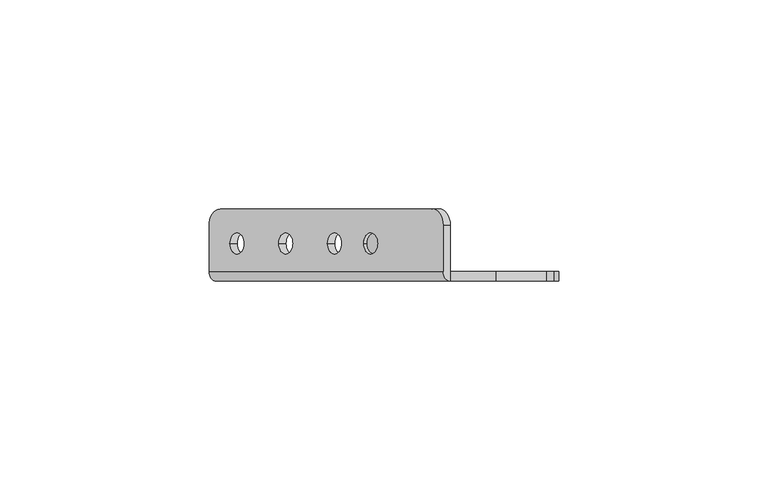
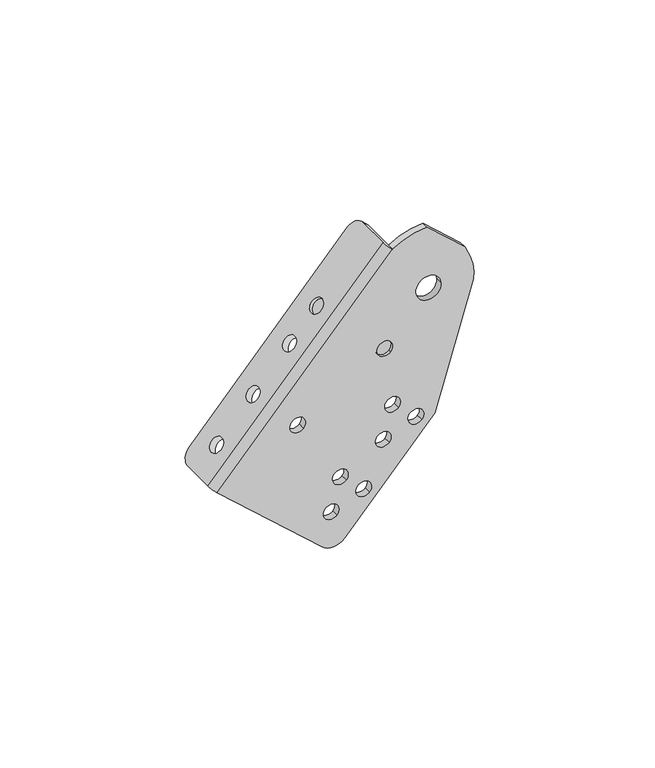
"""IFC4 building model written with IfcOpenShell, lengths in millimetres: proxy geometry."""

import ifcopenshell
import ifcopenshell.guid

model = None  # the IFC model being written
_history = None  # IfcOwnerHistory: only IFC2X3 demands one
_inside = {}  # id of a spatial element -> (the spatial element, [elements in it])
_under = {}  # id of a project, library or spatial element -> (it, [spatial elements below it])
_declared = {}  # id of a project -> (the project, [libraries it declares])
_typed = {}  # id of a type object -> (the type object, [elements of that type])
_made_of = {}  # id of a material, layer set ... -> (it, [elements and type objects made of it])


def new_model(schema):
    """Start an empty IFC model of exactly this schema.

    Asked for "IFC4X3", IfcOpenShell would pick the latest addendum, in which some entities
    have other attributes; the version numbers below select the first issue.
    IFC2X3 requires an IfcOwnerHistory on every rooted entity: one is made here for all.
    """
    global model, _history
    if schema == "IFC4X3":
        model = ifcopenshell.file(schema_version=(4, 3, 0, 0))
    else:
        model = ifcopenshell.file(schema=schema)
    _inside.clear()
    _under.clear()
    _declared.clear()
    _typed.clear()
    _made_of.clear()
    _history = None
    if model.schema == "IFC2X3":
        org = make("IfcOrganization", Name="unknown")
        user = make(
            "IfcPersonAndOrganization",
            ThePerson=make("IfcPerson", FamilyName="unknown"),
            TheOrganization=org,
        )
        app = make(
            "IfcApplication",
            ApplicationDeveloper=org,
            Version="unknown",
            ApplicationFullName="unknown",
            ApplicationIdentifier="unknown",
        )
        _history = make(
            "IfcOwnerHistory",
            OwningUser=user,
            OwningApplication=app,
            ChangeAction="ADDED",
            CreationDate=0,
        )
    return model


def make(cls, **values):
    """One entity of the class cls with the attributes given. An attribute that is None is left unset."""
    return model.create_entity(
        cls, **{name: value for name, value in values.items() if value is not None}
    )


def rooted(cls, **values):
    """An entity with a GlobalId (a new one), such as an element, a storey or a relation."""
    return make(cls, GlobalId=ifcopenshell.guid.new(), OwnerHistory=_history, **values)


def si_unit(unit_type, name, prefix=None):
    """IfcSIUnit, for example si_unit("LENGTHUNIT", "METRE", prefix="MILLI")."""
    return make("IfcSIUnit", UnitType=unit_type, Prefix=prefix, Name=name)


def assignment(units):
    """IfcUnitAssignment: the units of a project."""
    return None if units is None else make("IfcUnitAssignment", Units=units)


def point(xyz):
    """IfcCartesianPoint."""
    return None if xyz is None else make("IfcCartesianPoint", Coordinates=xyz)


def direction(xyz):
    """IfcDirection."""
    return None if xyz is None else make("IfcDirection", DirectionRatios=xyz)


def frame(location, z_axis=None, x_axis=None):
    """IfcAxis2Placement3D, a coordinate frame: its origin and axes. An axis left out is left unset."""
    return make(
        "IfcAxis2Placement3D",
        Location=point(location),
        Axis=direction(z_axis),
        RefDirection=direction(x_axis),
    )


def origin():
    """The frame at (0, 0, 0) with its axes left unset."""
    return frame((0.0, 0.0, 0.0))


def place(relative_to, where):
    """IfcLocalPlacement: puts the frame where relative to a parent placement (None: the world)."""
    return make(
        "IfcLocalPlacement", PlacementRelTo=relative_to, RelativePlacement=where
    )


def context(
    kind, dimensions, precision=None, world=None, true_north=None, identifier=None
):
    """IfcGeometricRepresentationContext, for example the 3D "Model" context."""
    return make(
        "IfcGeometricRepresentationContext",
        ContextIdentifier=identifier,
        ContextType=kind,
        CoordinateSpaceDimension=dimensions,
        Precision=precision,
        WorldCoordinateSystem=world,
        TrueNorth=true_north,
    )


def project(units=None, contexts=None):
    """IfcProject with its units and contexts."""
    return rooted(
        "IfcProject",
        Name="project",
        RepresentationContexts=contexts,
        UnitsInContext=assignment(units),
    )


def spatial(cls, under=None, at=None, **own):
    """A site, building, storey or space (cls), placed at a placement, below another one or the project."""
    s = rooted(cls, ObjectPlacement=at, **own)
    if under is not None:
        _under.setdefault(under.id(), (under, []))[1].append(s)
    return s


def polyline(points):
    """IfcPolyline through the points."""
    return make("IfcPolyline", Points=[point(p) for p in points])


def circle_curve(where, radius):
    """IfcCircle in the frame where."""
    return make("IfcCircle", Position=where, Radius=radius)


def shape(context_of_items, identifier, shape_type, items):
    """IfcShapeRepresentation: the items that make up one representation, for example the "Body"."""
    return make(
        "IfcShapeRepresentation",
        ContextOfItems=context_of_items,
        RepresentationIdentifier=identifier,
        RepresentationType=shape_type,
        Items=items,
    )


def source(mapping_origin, context_of_items, identifier, shape_type, items):
    """IfcRepresentationMap: a shape defined once, which mapped items show again and again."""
    return make(
        "IfcRepresentationMap",
        MappingOrigin=mapping_origin,
        MappedRepresentation=shape(context_of_items, identifier, shape_type, items),
    )


def transform(
    local_origin,
    x_axis=None,
    y_axis=None,
    z_axis=None,
    scale=None,
    scale2=None,
    scale3=None,
    uniform=True,
):
    """IfcCartesianTransformationOperator3D, or its non-uniform kind. x_axis, y_axis, z_axis: its Axis1, 2, 3."""
    if uniform:
        return make(
            "IfcCartesianTransformationOperator3D",
            Axis1=direction(x_axis),
            Axis2=direction(y_axis),
            LocalOrigin=point(local_origin),
            Scale=scale,
            Axis3=direction(z_axis),
        )
    return make(
        "IfcCartesianTransformationOperator3DnonUniform",
        Axis1=direction(x_axis),
        Axis2=direction(y_axis),
        LocalOrigin=point(local_origin),
        Scale=scale,
        Axis3=direction(z_axis),
        Scale2=scale2,
        Scale3=scale3,
    )


def mapped(mapping_source, mapping_target):
    """IfcMappedItem: shows the shape of a source again, moved by a transform."""
    return make(
        "IfcMappedItem", MappingSource=mapping_source, MappingTarget=mapping_target
    )


def made_of(thing, what):
    """Note that an element or type object is made of a material, layer set ...; save() writes the relation."""
    if what is not None:
        _made_of.setdefault(what.id(), (what, []))[1].append(thing)
    return thing


def element(
    cls,
    number,
    at=None,
    inside=None,
    cuts=None,
    type_object=None,
    material=None,
    context=None,
    identifier="Body",
    shape_type=None,
    held_by="IfcProductDefinitionShape",
    body=None,
    shapes=None,
    **own,
):
    """One element of the class cls, such as IfcWall. Its Tag is "e" and its number.

    at: its placement. inside: the storey or other place that contains it. cuts: it is an
    opening in that element (IfcRelVoidsElement). A single representation is given by context,
    identifier, shape_type and body (its items); several are given by shapes. held_by: the class
    of the entity that holds the representations. save() writes the other relations.
    """
    e = rooted(cls, Tag="e%d" % number, ObjectPlacement=at, **own)
    if body is not None:
        shapes = [shape(context, identifier, shape_type, body)]
    if shapes is not None:
        e.Representation = make(held_by, Representations=shapes)
    if inside is not None:
        _inside.setdefault(inside.id(), (inside, []))[1].append(e)
    if cuts is not None:
        rooted(
            "IfcRelVoidsElement", RelatingBuildingElement=cuts, RelatedOpeningElement=e
        )
    if type_object is not None:
        _typed.setdefault(type_object.id(), (type_object, []))[1].append(e)
    return made_of(e, material)


def aggregate(whole, parts):
    """IfcRelAggregates: a whole, such as a stair, and the parts it consists of."""
    return rooted("IfcRelAggregates", RelatingObject=whole, RelatedObjects=parts)


def save(model, path):
    """Write the relations noted so far, then the file.

    IfcRelAggregates (storeys below a building ...), IfcRelContainedInSpatialStructure (elements
    in a storey), IfcRelDefinesByType, IfcRelAssociatesMaterial and IfcRelDeclares: one each for
    every whole, place, type object, material and project.
    """
    for whole, parts in _under.values():
        aggregate(whole, parts)
    for where, things in _inside.values():
        rooted(
            "IfcRelContainedInSpatialStructure",
            RelatedElements=things,
            RelatingStructure=where,
        )
    for kind, things in _typed.values():
        rooted("IfcRelDefinesByType", RelatedObjects=things, RelatingType=kind)
    for what, things in _made_of.values():
        rooted("IfcRelAssociatesMaterial", RelatedObjects=things, RelatingMaterial=what)
    for by, libraries in _declared.values():
        rooted("IfcRelDeclares", RelatingContext=by, RelatedDefinitions=libraries)
    model.write(path)


def plane_surface(at):
    """IfcPlane: the flat surface through the origin of the frame at, square to its z axis."""
    return make("IfcPlane", Position=at)


def cylinder_surface(at, radius):
    """IfcCylindricalSurface: all points at the distance radius from the z axis of the frame at."""
    return make("IfcCylindricalSurface", Position=at, Radius=radius)


def revolved_surface(curve, axis_point, axis_direction):
    """IfcSurfaceOfRevolution: the curve turned about the line through axis_point along axis_direction."""
    return make(
        "IfcSurfaceOfRevolution",
        SweptCurve=make("IfcArbitraryOpenProfileDef", ProfileType="CURVE", Curve=curve),
        AxisPosition=make("IfcAxis1Placement", Location=point(axis_point), Axis=direction(axis_direction)),
    )


def advanced_brep(points, edges, surfaces, faces):
    """IfcAdvancedBrep: a solid bounded by faces that lie on surfaces and meet in shared edges.

    An edge is (start, end): straight between two places in points (the first is 0);
    or (start, end, curve); or (start, end, curve, False) where it runs against its curve.
    A face is (place in surfaces, loops), or (place, loops, False) where it looks against
    its surface's normal. A loop lists edges by number (the first is 1), with a minus sign
    where the edge is run from its end to its start. The first loop is the outer one.
    """
    corners = [point(p) for p in points]
    vertices = [make("IfcVertexPoint", VertexGeometry=c) for c in corners]
    made = []
    for start, end, *more in edges:
        made.append(
            make(
                "IfcEdgeCurve",
                EdgeStart=vertices[start],
                EdgeEnd=vertices[end],
                EdgeGeometry=more[0] if more else make("IfcPolyline", Points=[corners[start], corners[end]]),
                SameSense=more[1] if len(more) > 1 else True,
            )
        )
    hull = []
    for where, loops, *sense in faces:
        bounds = []
        for j, loop in enumerate(loops):
            ring = [make("IfcOrientedEdge", EdgeElement=made[abs(k) - 1], Orientation=k > 0) for k in loop]
            bounds.append(
                make(
                    "IfcFaceOuterBound" if j == 0 else "IfcFaceBound",
                    Bound=make("IfcEdgeLoop", EdgeList=ring),
                    Orientation=True,
                )
            )
        hull.append(make("IfcAdvancedFace", Bounds=bounds, FaceSurface=surfaces[where], SameSense=sense[0] if sense else True))
    return make("IfcAdvancedBrep", Outer=make("IfcClosedShell", CfsFaces=hull))


def mechanical_equipment_ff4c4f84(model_context):
    return source(origin(), model_context, "Body", "AdvancedBrep", [
        advanced_brep(
        [(-35.8515911, 12.2834534, -3.9202854), (-38.4954222, 16.2499985, -6.8772495), (-89.1643811, 16.2499985, -63.5473961), (-91.8301799, 12.196215, -66.5289299), (-91.8301799, 1.2499985, -66.5289299), (-35.8414524, 1.2499985, -3.9089459), (-86.8311864, 7.953236, -60.9378599), (-83.4985241, 7.953236, -57.2104799), (-75.1668682, 7.953236, -47.8920299), (-71.8342058, 7.953236, -44.1646499), (-63.50255, 7.953236, -34.8461999), (-60.1698876, 7.953236, -31.1188199), (-54.8376278, 7.9499985, -25.1550119), (-51.5049655, 7.9499985, -21.4276319), (-90.1155851, 12.196215, -68.0619546), (-87.4497863, 16.1957184, -65.0804208), (-36.7808274, 16.2499985, -8.4102742), (-34.1369963, 12.2834534, -5.45331), (-34.1268576, 1.2499985, -5.4419706), (-90.1155851, 1.2499985, -68.0619546), (-85.1165916, 7.953236, -62.4708846), (-81.7839293, 7.953236, -58.7435046), (-73.4522734, 7.953236, -49.4250546), (-70.119611, 7.953236, -45.6976746), (-61.7879552, 7.953236, -36.3792246), (-58.4552928, 7.953236, -32.6518446), (-49.7903707, 7.9499985, -22.9606566), (-53.123033, 7.9499985, -26.6880366), (-34.1268576, -1.0500015, -5.4419706), (-56.5691652, 1.2499985, -98.0559157), (-56.5691652, -1.0500015, -98.0559157), (-90.1155851, -1.0500015, -68.0619546), (-54.0921518, 7.9499985, -25.8215444), (-50.7594895, 7.9499985, -22.0941644), (-49.5091228, -1.0500015, -97.6611981), (-20.5710356, -1.0500015, -65.2957089), (-8.261137, -1.0500015, -24.5233576), (-9.2839625, -1.0500015, -16.7329221), (-11.0163903, -1.0500015, -12.6908651), (-23.0690122, -1.0500015, -1.9145774), (-18.6176618, -1.0500015, -22.2217938), (-26.6051879, -1.0500015, -22.6683658), (-66.2562971, -1.0500015, -52.5054379), (-62.5289171, -1.0500015, -55.8381003), (-35.9550789, -1.0500015, -56.1229197), (-32.2276989, -1.0500015, -59.455582), (-28.5003189, -1.0500015, -62.7882444), (-24.7729389, -1.0500015, -66.1209067), (-38.8930236, -1.0500015, -66.910342), (-35.1656436, -1.0500015, -70.2430044), (-52.6183906, -1.0500015, -74.7598197), (-48.8910106, -1.0500015, -78.092482), (-45.1636306, -1.0500015, -81.4251444), (-41.4362506, -1.0500015, -84.7578067), (-55.5563353, -1.0500015, -85.547242), (-51.8289553, -1.0500015, -88.8799044), (-38.4722968, -1.0500015, -36.4337446), (-34.7449168, -1.0500015, -39.766407), (-23.0690122, 1.2499985, -1.9145774), (-11.0163903, 1.2499985, -12.6908651), (-9.2839625, 1.2499985, -16.7329221), (-8.261137, 1.2499985, -24.5233576), (-20.5710356, 1.2499985, -65.2957089), (-49.5091228, 1.2499985, -97.6611981), (-18.6176618, 1.2499985, -22.2217938), (-26.6051879, 1.2499985, -22.6683658), (-66.2562971, 1.2499985, -52.5054379), (-62.5289171, 1.2499985, -55.8381003), (-35.9550789, 1.2499985, -56.1229197), (-32.2276989, 1.2499985, -59.455582), (-28.5003189, 1.2499985, -62.7882444), (-24.7729389, 1.2499985, -66.1209067), (-38.8930236, 1.2499985, -66.910342), (-35.1656436, 1.2499985, -70.2430044), (-52.6183906, 1.2499985, -74.7598197), (-48.8910106, 1.2499985, -78.092482), (-45.1636306, 1.2499985, -81.4251444), (-41.4362506, 1.2499985, -84.7578067), (-55.5563353, 1.2499985, -85.547242), (-51.8289553, 1.2499985, -88.8799044), (-34.1125048, 1.2499985, -37.9605221), (-38.4722968, 1.2499985, -36.4337446), (-39.1047087, 1.2499985, -38.2396296), (-34.7449168, 1.2499985, -39.766407), (-34.1125048, -0.0500015, -37.9605221), (-38.4722968, -0.0500015, -36.4337446), (-39.1047087, -0.0500015, -38.2396296), (-34.7449168, -0.0500015, -39.766407), (-34.1125048, 2.2499985, -37.9605221), (-39.1047087, 2.2499985, -38.2396296), (-52.377557, 7.9499985, -27.3545691), (-49.0448947, 7.9499985, -23.6271891)],
        [
            (0, 1, circle_curve(frame((-38.4954222, 12.2834534, -6.8772495), z_axis=(-0.745475999682861, 0.0, 0.6665324702494538), x_axis=(-0.6665324702494537, 0.0, -0.7454759996828609)), 3.9665451)),
            (1, 2),
            (2, 3, circle_curve(frame((-89.1643811, 12.196215, -63.5473961), z_axis=(-0.745475999682861, 0.0, 0.6665324702494538), x_axis=(-0.6665324702494537, 0.0, -0.7454759996828609)), 3.9995034)),
            (3, 4),
            (4, 5),
            (5, 0),
            (6, 7, circle_curve(frame((-85.1648552, 7.953236, -59.0741699), z_axis=(0.7454759996828609, 0.0, -0.6665324702494538), x_axis=(0.6665324702494538, 0.0, 0.7454759996828609)), 2.5)),
            (7, 6, circle_curve(frame((-85.1648552, 7.953236, -59.0741699), z_axis=(0.7454759996828609, 0.0, -0.6665324702494538), x_axis=(0.6665324702494538, 0.0, 0.7454759996828609)), 2.5)),
            (8, 9, circle_curve(frame((-73.500537, 7.953236, -46.0283399), z_axis=(0.7454759996828609, 0.0, -0.6665324702494538), x_axis=(0.6665324702494538, 0.0, 0.7454759996828609)), 2.5)),
            (9, 8, circle_curve(frame((-73.500537, 7.953236, -46.0283399), z_axis=(0.7454759996828609, 0.0, -0.6665324702494538), x_axis=(0.6665324702494538, 0.0, 0.7454759996828609)), 2.5)),
            (10, 11, circle_curve(frame((-61.8362188, 7.953236, -32.9825099), z_axis=(0.7454759996828609, 0.0, -0.6665324702494538), x_axis=(0.6665324702494538, 0.0, 0.7454759996828609)), 2.5)),
            (11, 10, circle_curve(frame((-61.8362188, 7.953236, -32.9825099), z_axis=(0.7454759996828609, 0.0, -0.6665324702494538), x_axis=(0.6665324702494538, 0.0, 0.7454759996828609)), 2.5)),
            (12, 13, circle_curve(frame((-53.1712967, 7.9499985, -23.2913219), z_axis=(0.7454759996828609, 0.0, -0.6665324702494538), x_axis=(0.6665324702494538, 0.0, 0.7454759996828609)), 2.5)),
            (13, 12, circle_curve(frame((-53.1712967, 7.9499985, -23.2913219), z_axis=(0.7454759996828609, 0.0, -0.6665324702494538), x_axis=(0.6665324702494538, 0.0, 0.7454759996828609)), 2.5)),
            (14, 15, circle_curve(frame((-87.4497863, 12.196215, -65.0804208), z_axis=(0.745475999682861, 0.0, -0.6665324702494538), x_axis=(-0.6665324702494537, 0.0, -0.7454759996828609)), 3.9995034)),
            (15, 16),
            (16, 17, circle_curve(frame((-36.7808274, 12.2834534, -8.4102742), z_axis=(0.745475999682861, 0.0, -0.6665324702494538), x_axis=(-0.6665324702494537, 0.0, -0.7454759996828609)), 3.9665451)),
            (17, 18),
            (18, 19),
            (19, 14),
            (20, 21, circle_curve(frame((-83.4502604, 7.953236, -60.6071946), z_axis=(-0.7454759996828609, 0.0, 0.6665324702494538), x_axis=(0.6665324702494538, 0.0, 0.7454759996828609)), 2.5)),
            (21, 20, circle_curve(frame((-83.4502604, 7.953236, -60.6071946), z_axis=(-0.7454759996828609, 0.0, 0.6665324702494538), x_axis=(0.6665324702494538, 0.0, 0.7454759996828609)), 2.5)),
            (22, 23, circle_curve(frame((-71.7859422, 7.953236, -47.5613646), z_axis=(-0.7454759996828609, 0.0, 0.6665324702494538), x_axis=(0.6665324702494538, 0.0, 0.7454759996828609)), 2.5)),
            (23, 22, circle_curve(frame((-71.7859422, 7.953236, -47.5613646), z_axis=(-0.7454759996828609, 0.0, 0.6665324702494538), x_axis=(0.6665324702494538, 0.0, 0.7454759996828609)), 2.5)),
            (24, 25, circle_curve(frame((-60.121624, 7.953236, -34.5155346), z_axis=(-0.7454759996828609, 0.0, 0.6665324702494538), x_axis=(0.6665324702494538, 0.0, 0.7454759996828609)), 2.5)),
            (25, 24, circle_curve(frame((-60.121624, 7.953236, -34.5155346), z_axis=(-0.7454759996828609, 0.0, 0.6665324702494538), x_axis=(0.6665324702494538, 0.0, 0.7454759996828609)), 2.5)),
            (26, 27, circle_curve(frame((-51.4567019, 7.9499985, -24.8243466), z_axis=(-0.7454759996828616, 0.0, 0.6665324702494531), x_axis=(0.6665324702494531, 0.0, 0.7454759996828616)), 2.5)),
            (27, 26, circle_curve(frame((-51.4567019, 7.9499985, -24.8243466), z_axis=(-0.7454759996828616, 0.0, 0.6665324702494531), x_axis=(0.6665324702494531, 0.0, 0.7454759996828616)), 2.5)),
            (17, 0),
            (5, 28, circle_curve(frame((-34.1268576, 1.2499985, -5.4419706), z_axis=(0.6665324702494537, 0.0, 0.745475999682861), x_axis=(0.0, -1.0, 0.0)), 2.3)),
            (28, 18),
            (16, 1),
            (15, 2),
            (14, 3),
            (19, 29),
            (29, 30),
            (30, 31),
            (31, 4, circle_curve(frame((-90.1155851, 1.2499985, -68.0619546), z_axis=(-0.6665324702494537, 0.0, -0.745475999682861), x_axis=(0.0, -1.0, 0.0)), 2.3)),
            (6, 20),
            (21, 7),
            (8, 22),
            (23, 9),
            (10, 24),
            (25, 11),
            (12, 32),
            (32, 33, circle_curve(frame((-52.4258207, 7.9499985, -23.9578544), z_axis=(0.7454759996828609, 0.0, -0.6665324702494538), x_axis=(0.6665324702494538, 0.0, 0.7454759996828609)), 2.5)),
            (33, 13),
            (33, 32, circle_curve(frame((-52.4258207, 7.9499985, -23.9578544), z_axis=(0.7454759996828609, 0.0, -0.6665324702494538), x_axis=(0.6665324702494538, 0.0, 0.7454759996828609)), 2.5)),
            (30, 34, circle_curve(frame((-53.2365028, -1.0500015, -94.3285357), z_axis=(0.0, -1.0, 0.0), x_axis=(0.9984407641819812, 0.0, 0.0558215049931608)), 5.0)),
            (34, 35),
            (35, 36),
            (36, 37, circle_curve(frame((-22.6114249, -1.0500015, -22.4450798), z_axis=(0.0, -1.0, 0.0), x_axis=(0.9984407641819812, 0.0, 0.0558215049931608)), 14.5)),
            (37, 38),
            (38, 39),
            (39, 28, circle_curve(frame((-22.6114249, -1.0500015, -22.4450798), z_axis=(0.0, -1.0, 0.0), x_axis=(0.9984407641819812, 0.0, 0.0558215049931608)), 20.5356012)),
            (28, 31),
            (40, 41, circle_curve(frame((-22.6114249, -1.0500015, -22.4450798), z_axis=(0.0, 1.0, 0.0), x_axis=(0.9984407641819812, 0.0, 0.0558215049931608)), 4.0)),
            (41, 40, circle_curve(frame((-22.6114249, -1.0500015, -22.4450798), z_axis=(0.0, 1.0, 0.0), x_axis=(0.9984407641819812, 0.0, 0.0558215049931608)), 4.0)),
            (42, 43, circle_curve(frame((-64.3926071, -1.0500015, -54.1717691), z_axis=(0.0, 1.0, 0.0), x_axis=(0.7454759996828616, 0.0, -0.6665324702494531)), 2.5)),
            (43, 42, circle_curve(frame((-64.3926071, -1.0500015, -54.1717691), z_axis=(0.0, 1.0, 0.0), x_axis=(0.7454759996828616, 0.0, -0.6665324702494531)), 2.5)),
            (44, 45, circle_curve(frame((-34.0913889, -1.0500015, -57.7892509), z_axis=(0.0, 1.0, 0.0), x_axis=(0.7454759996828616, 0.0, -0.6665324702494531)), 2.5)),
            (45, 44, circle_curve(frame((-34.0913889, -1.0500015, -57.7892509), z_axis=(0.0, 1.0, 0.0), x_axis=(0.7454759996828616, 0.0, -0.6665324702494531)), 2.5)),
            (46, 47, circle_curve(frame((-26.6366289, -1.0500015, -64.4545756), z_axis=(0.0, 1.0, 0.0), x_axis=(0.7454759996828616, 0.0, -0.6665324702494531)), 2.5)),
            (47, 46, circle_curve(frame((-26.6366289, -1.0500015, -64.4545756), z_axis=(0.0, 1.0, 0.0), x_axis=(0.7454759996828616, 0.0, -0.6665324702494531)), 2.5)),
            (48, 49, circle_curve(frame((-37.0293336, -1.0500015, -68.5766732), z_axis=(0.0, 1.0, 0.0), x_axis=(0.7454759996828616, 0.0, -0.6665324702494531)), 2.5)),
            (49, 48, circle_curve(frame((-37.0293336, -1.0500015, -68.5766732), z_axis=(0.0, 1.0, 0.0), x_axis=(0.7454759996828616, 0.0, -0.6665324702494531)), 2.5)),
            (50, 51, circle_curve(frame((-50.7547006, -1.0500015, -76.4261509), z_axis=(0.0, 1.0, 0.0), x_axis=(0.7454759996828616, 0.0, -0.6665324702494531)), 2.5)),
            (51, 50, circle_curve(frame((-50.7547006, -1.0500015, -76.4261509), z_axis=(0.0, 1.0, 0.0), x_axis=(0.7454759996828616, 0.0, -0.6665324702494531)), 2.5)),
            (52, 53, circle_curve(frame((-43.2999406, -1.0500015, -83.0914756), z_axis=(0.0, 1.0, 0.0), x_axis=(0.7454759996828616, 0.0, -0.6665324702494531)), 2.5)),
            (53, 52, circle_curve(frame((-43.2999406, -1.0500015, -83.0914756), z_axis=(0.0, 1.0, 0.0), x_axis=(0.7454759996828616, 0.0, -0.6665324702494531)), 2.5)),
            (54, 55, circle_curve(frame((-53.6926453, -1.0500015, -87.2135732), z_axis=(0.0, 1.0, 0.0), x_axis=(0.7454759996828616, 0.0, -0.6665324702494531)), 2.5)),
            (55, 54, circle_curve(frame((-53.6926453, -1.0500015, -87.2135732), z_axis=(0.0, 1.0, 0.0), x_axis=(0.7454759996828616, 0.0, -0.6665324702494531)), 2.5)),
            (56, 57, circle_curve(frame((-36.6086068, -1.0500015, -38.1000758), z_axis=(0.0, 1.0, 0.0), x_axis=(0.7454759996828616, 0.0, -0.6665324702494531)), 2.5)),
            (57, 56, circle_curve(frame((-36.6086068, -1.0500015, -38.1000758), z_axis=(0.0, 1.0, 0.0), x_axis=(0.7454759996828616, 0.0, -0.6665324702494531)), 2.5)),
            (18, 58, circle_curve(frame((-22.6114249, 1.2499985, -22.4450798), z_axis=(0.0, 1.0, 0.0), x_axis=(0.9984407641819812, 0.0, 0.0558215049931608)), 20.5356012)),
            (58, 59),
            (59, 60),
            (60, 61, circle_curve(frame((-22.6114249, 1.2499985, -22.4450798), z_axis=(0.0, 1.0, 0.0), x_axis=(0.9984407641819812, 0.0, 0.0558215049931608)), 14.5)),
            (61, 62),
            (62, 63),
            (63, 29, circle_curve(frame((-53.2365028, 1.2499985, -94.3285357), z_axis=(0.0, 1.0, 0.0), x_axis=(0.9984407641819812, 0.0, 0.0558215049931608)), 5.0)),
            (64, 65, circle_curve(frame((-22.6114249, 1.2499985, -22.4450798), z_axis=(0.0, -1.0, 0.0), x_axis=(0.9984407641819812, 0.0, 0.0558215049931608)), 4.0)),
            (65, 64, circle_curve(frame((-22.6114249, 1.2499985, -22.4450798), z_axis=(0.0, -1.0, 0.0), x_axis=(0.9984407641819812, 0.0, 0.0558215049931608)), 4.0)),
            (66, 67, circle_curve(frame((-64.3926071, 1.2499985, -54.1717691), z_axis=(0.0, -1.0, 0.0), x_axis=(0.7454759996828616, 0.0, -0.6665324702494531)), 2.5)),
            (67, 66, circle_curve(frame((-64.3926071, 1.2499985, -54.1717691), z_axis=(0.0, -1.0, 0.0), x_axis=(0.7454759996828616, 0.0, -0.6665324702494531)), 2.5)),
            (68, 69, circle_curve(frame((-34.0913889, 1.2499985, -57.7892509), z_axis=(0.0, -1.0, 0.0), x_axis=(0.7454759996828616, 0.0, -0.6665324702494531)), 2.5)),
            (69, 68, circle_curve(frame((-34.0913889, 1.2499985, -57.7892509), z_axis=(0.0, -1.0, 0.0), x_axis=(0.7454759996828616, 0.0, -0.6665324702494531)), 2.5)),
            (70, 71, circle_curve(frame((-26.6366289, 1.2499985, -64.4545756), z_axis=(0.0, -1.0, 0.0), x_axis=(0.7454759996828616, 0.0, -0.6665324702494531)), 2.5)),
            (71, 70, circle_curve(frame((-26.6366289, 1.2499985, -64.4545756), z_axis=(0.0, -1.0, 0.0), x_axis=(0.7454759996828616, 0.0, -0.6665324702494531)), 2.5)),
            (72, 73, circle_curve(frame((-37.0293336, 1.2499985, -68.5766732), z_axis=(0.0, -1.0, 0.0), x_axis=(0.7454759996828616, 0.0, -0.6665324702494531)), 2.5)),
            (73, 72, circle_curve(frame((-37.0293336, 1.2499985, -68.5766732), z_axis=(0.0, -1.0, 0.0), x_axis=(0.7454759996828616, 0.0, -0.6665324702494531)), 2.5)),
            (74, 75, circle_curve(frame((-50.7547006, 1.2499985, -76.4261509), z_axis=(0.0, -1.0, 0.0), x_axis=(0.7454759996828616, 0.0, -0.6665324702494531)), 2.5)),
            (75, 74, circle_curve(frame((-50.7547006, 1.2499985, -76.4261509), z_axis=(0.0, -1.0, 0.0), x_axis=(0.7454759996828616, 0.0, -0.6665324702494531)), 2.5)),
            (76, 77, circle_curve(frame((-43.2999406, 1.2499985, -83.0914756), z_axis=(0.0, -1.0, 0.0), x_axis=(0.7454759996828616, 0.0, -0.6665324702494531)), 2.5)),
            (77, 76, circle_curve(frame((-43.2999406, 1.2499985, -83.0914756), z_axis=(0.0, -1.0, 0.0), x_axis=(0.7454759996828616, 0.0, -0.6665324702494531)), 2.5)),
            (78, 79, circle_curve(frame((-53.6926453, 1.2499985, -87.2135732), z_axis=(0.0, -1.0, 0.0), x_axis=(0.7454759996828616, 0.0, -0.6665324702494531)), 2.5)),
            (79, 78, circle_curve(frame((-53.6926453, 1.2499985, -87.2135732), z_axis=(0.0, -1.0, 0.0), x_axis=(0.7454759996828616, 0.0, -0.6665324702494531)), 2.5)),
            (80, 81, circle_curve(frame((-36.6086068, 1.2499985, -38.1000758), z_axis=(0.0, -1.0, 0.0), x_axis=(0.9984407641819812, 0.0, 0.0558215049931608)), 2.5)),
            (81, 82, circle_curve(frame((-36.6086068, 1.2499985, -38.1000758), z_axis=(0.0, -1.0, 0.0), x_axis=(0.9984407641819812, 0.0, 0.0558215049931608)), 2.5)),
            (82, 83, circle_curve(frame((-36.6086068, 1.2499985, -38.1000758), z_axis=(0.0, -1.0, 0.0), x_axis=(0.9984407641819812, 0.0, 0.0558215049931608)), 2.5)),
            (83, 80, circle_curve(frame((-36.6086068, 1.2499985, -38.1000758), z_axis=(0.0, -1.0, 0.0), x_axis=(0.9984407641819812, 0.0, 0.0558215049931608)), 2.5)),
            (63, 34),
            (62, 35),
            (61, 36),
            (60, 37),
            (59, 38),
            (58, 39),
            (40, 64),
            (65, 41),
            (84, 85, circle_curve(frame((-36.6086068, -0.0500015, -38.1000758), z_axis=(0.0, -1.0, 0.0), x_axis=(0.7454759996828616, 0.0, -0.6665324702494531)), 2.5)),
            (85, 86, circle_curve(frame((-36.6086068, -0.0500015, -38.1000758), z_axis=(0.0, -1.0, 0.0), x_axis=(0.7454759996828616, 0.0, -0.6665324702494531)), 2.5)),
            (86, 87, circle_curve(frame((-36.6086068, -0.0500015, -38.1000758), z_axis=(0.0, -1.0, 0.0), x_axis=(0.7454759996828616, 0.0, -0.6665324702494531)), 2.5)),
            (87, 84, circle_curve(frame((-36.6086068, -0.0500015, -38.1000758), z_axis=(0.0, -1.0, 0.0), x_axis=(0.7454759996828616, 0.0, -0.6665324702494531)), 2.5)),
            (88, 89, circle_curve(frame((-36.6086068, 2.2499985, -38.1000758), z_axis=(0.0, 1.0, 0.0), x_axis=(0.9984407641819812, 0.0, 0.0558215049931608)), 2.5)),
            (89, 88, circle_curve(frame((-36.6086068, 2.2499985, -38.1000758), z_axis=(0.0, 1.0, 0.0), x_axis=(0.9984407641819812, 0.0, 0.0558215049931608)), 2.5)),
            (89, 82),
            (80, 88),
            (90, 91, circle_curve(frame((-50.7112259, 7.9499985, -25.4908791), z_axis=(0.7454759996828616, 0.0, -0.6665324702494531), x_axis=(0.6665324702494531, 0.0, 0.7454759996828616)), 2.5)),
            (91, 90, circle_curve(frame((-50.7112259, 7.9499985, -25.4908791), z_axis=(0.7454759996828616, 0.0, -0.6665324702494531), x_axis=(0.6665324702494531, 0.0, 0.7454759996828616)), 2.5)),
            (90, 27),
            (26, 91),
            (42, 66),
            (67, 43),
            (44, 68),
            (69, 45),
            (46, 70),
            (71, 47),
            (48, 72),
            (73, 49),
            (50, 74),
            (75, 51),
            (52, 76),
            (77, 53),
            (54, 78),
            (79, 55),
            (56, 85),
            (87, 57),
        ],
        [
            plane_surface(frame((-35.8414524, -1.0593878, -3.9089459), z_axis=(-0.7454759996828609, 0.0, 0.6665324702494538), x_axis=(0.0, 1.0, 0.0))),
            plane_surface(frame((-34.1268576, -1.0593878, -5.4419706), z_axis=(0.7454759996828609, 0.0, -0.6665324702494538), x_axis=(0.0, -1.0, 0.0))),
            plane_surface(frame((-35.8414524, -1.0500015, -3.9089459), z_axis=(0.6665324702494538, 0.0, 0.745475999682861), x_axis=(0.745475999682861, 0.0, -0.6665324702494538))),
            cylinder_surface(frame((-36.7808274, 12.2834534, -8.4102742), z_axis=(-0.7454759996828609, 0.0, 0.6665324702494537), x_axis=(-0.6665324702494537, 0.0, -0.7454759996828609)), 3.9665451),
            plane_surface(frame((-38.4954222, 16.2499985, -6.8772495), z_axis=(0.0, 1.0, 0.0), x_axis=(0.745475999682861, 0.0, -0.6665324702494538))),
            cylinder_surface(frame((-87.4497863, 12.196215, -65.0804208), z_axis=(-0.7454759996828609, 0.0, 0.6665324702494537), x_axis=(-0.6665324702494537, 0.0, -0.7454759996828609)), 3.9995034),
            plane_surface(frame((-91.8301799, 12.196215, -66.5289299), z_axis=(-0.6665324702494531, 0.0, -0.7454759996828616), x_axis=(0.7454759996828616, 0.0, -0.6665324702494531))),
            revolved_surface(polyline([(-81.78392922437637, 7.953236, -58.743504600792846), (-83.49852407562862, 7.953236, -57.21047987274211)]), (-83.4502604, 7.953236, -60.6071946), (0.7454759996828609, 0.0, -0.6665324702494538)),
            revolved_surface(polyline([(-70.11961101122353, 7.953236, -45.69767461255283), (-71.83420584636085, 7.953236, -44.16464989891052)]), (-71.7859422, 7.953236, -47.5613646), (0.7454759996828609, 0.0, -0.6665324702494538)),
            revolved_surface(polyline([(-58.455292811223536, 7.953236, -32.651844612552836), (-60.169887646360856, 7.953236, -31.118819898910527)]), (-60.121624, 7.953236, -34.5155346), (0.7454759996828609, 0.0, -0.6665324702494538)),
            revolved_surface(polyline([(-50.75948947614573, 7.9499985, -22.094164432223096), (-51.50496553320802, 7.9499985, -21.427631910670513)]), (-51.4567019, 7.9499985, -24.8243466), (0.7454759996828609, 0.0, -0.6665324702494538)),
            plane_surface(frame((-90.1155851, -1.0500015, -68.0619546), z_axis=(0.0, -1.0, 0.0), x_axis=(-0.6665324702494538, 0.0, -0.7454759996828609))),
            plane_surface(frame((-90.1155851, 1.2499985, -68.0619546), z_axis=(0.0, 1.0, 0.0), x_axis=(0.6665324702494538, 0.0, 0.7454759996828609))),
            cylinder_surface(frame((-53.2365028, 1.2499985, -94.3285357), z_axis=(0.0, -1.0, 0.0), x_axis=(0.9984407641819812, 0.0, 0.0558215049931608)), 5.0),
            plane_surface(frame((-49.5091228, -1.0500015, -97.6611981), z_axis=(0.7454759996828573, 0.0, -0.666532470249458), x_axis=(0.0, 1.0, 0.0))),
            plane_surface(frame((-20.5710356, -1.0500015, -65.2957089), z_axis=(0.9573194975320674, 0.0, -0.2890317969444712), x_axis=(0.0, 1.0, 0.0))),
            cylinder_surface(frame((-22.6114249, 1.2499985, -22.4450798), z_axis=(0.0, -1.0, 0.0), x_axis=(0.9984407641819812, 0.0, 0.0558215049931608)), 14.5),
            plane_surface(frame((-9.2839625, -1.0500015, -16.7329221), z_axis=(0.9191353392552666, 0.0, 0.3939419095908762), x_axis=(0.0, 1.0, 0.0))),
            plane_surface(frame((-11.0163903, -1.0500015, -12.6908651), z_axis=(0.6665324702494511, 0.0, 0.7454759996828636), x_axis=(0.0, 1.0, 0.0))),
            cylinder_surface(frame((-22.6114249, 1.2499985, -22.4450798), z_axis=(0.0, -1.0, 0.0), x_axis=(0.9984407641819812, 0.0, 0.0558215049931608)), 20.5356012),
            revolved_surface(polyline([(-18.617661843272074, 1.2499985, -22.221793780027355), (-18.617661843272074, -1.0500014999999998, -22.221793780027355)]), (-22.6114249, 1.2499985, -22.4450798), (0.0, 1.0, 0.0)),
            plane_surface(frame((-34.1125048, -0.0500015, -37.9605221), z_axis=(0.0, -1.0, 0.0), x_axis=(-0.0558215049931608, 0.0, 0.9984407641819812))),
            plane_surface(frame((-34.1125048, 2.2499985, -37.9605221), z_axis=(0.0, 1.0, 0.0), x_axis=(0.0558215049931608, 0.0, -0.9984407641819812))),
            cylinder_surface(frame((-36.6086068, 2.2499985, -38.1000758), z_axis=(0.0, -1.0, 0.0), x_axis=(0.9984407641819812, 0.0, 0.0558215049931608)), 2.5),
            plane_surface(frame((-49.0448947, 7.9499985, -23.6271891), z_axis=(0.7454759996828616, 0.0, -0.6665324702494531), x_axis=(0.0, -1.0, 0.0))),
            plane_surface(frame((-50.7594895, 7.9499985, -22.0941644), z_axis=(-0.7454759996828616, 0.0, 0.6665324702494531), x_axis=(0.0, 1.0, 0.0))),
            cylinder_surface(frame((-52.4258207, 7.9499985, -23.9578544), z_axis=(0.7454759996828616, 0.0, -0.6665324702494531), x_axis=(0.6665324702494531, 0.0, 0.7454759996828616)), 2.5),
            cylinder_surface(frame((-90.1155851, 1.2499985, -68.0619546), z_axis=(0.6665324702494537, 0.0, 0.745475999682861), x_axis=(0.0, -1.0, 0.0)), 2.3),
            revolved_surface(polyline([(-62.52891710079285, 1.2499985, -55.83810027562363), (-62.52891710079285, -1.0500014999999998, -55.83810027562363)]), (-64.3926071, 1.2499985, -54.1717691), (0.0, 1.0, 0.0)),
            revolved_surface(polyline([(-32.227698900792845, 1.2499985, -59.45558207562363), (-32.227698900792845, -1.0500014999999998, -59.45558207562363)]), (-34.0913889, 1.2499985, -57.7892509), (0.0, 1.0, 0.0)),
            revolved_surface(polyline([(-24.772938900792848, 1.2499985, -66.12090677562364), (-24.772938900792848, -1.0500014999999998, -66.12090677562364)]), (-26.6366289, 1.2499985, -64.4545756), (0.0, 1.0, 0.0)),
            revolved_surface(polyline([(-35.16564360079285, 1.2499985, -70.24300437562363), (-35.16564360079285, -1.0500014999999998, -70.24300437562363)]), (-37.0293336, 1.2499985, -68.5766732), (0.0, 1.0, 0.0)),
            revolved_surface(polyline([(-48.891010600792846, 1.2499985, -78.09248207562362), (-48.891010600792846, -1.0500014999999998, -78.09248207562362)]), (-50.7547006, 1.2499985, -76.4261509), (0.0, 1.0, 0.0)),
            revolved_surface(polyline([(-41.436250600792846, 1.2499985, -84.75780677562364), (-41.436250600792846, -1.0500014999999998, -84.75780677562364)]), (-43.2999406, 1.2499985, -83.0914756), (0.0, 1.0, 0.0)),
            revolved_surface(polyline([(-51.82895530079285, 1.2499985, -88.87990437562362), (-51.82895530079285, -1.0500014999999998, -88.87990437562362)]), (-53.6926453, 1.2499985, -87.2135732), (0.0, 1.0, 0.0)),
            revolved_surface(polyline([(-34.74491680079284, -0.05000150000000003, -39.76640697562363), (-34.74491680079284, -1.0500014999999998, -39.76640697562363)]), (-36.6086068, 1.2499985, -38.1000758), (0.0, 1.0, 0.0)),
        ],
        [
            (0, [[1, 2, 3, 4, 5, 6], [7, 8], [9, 10], [11, 12], [13, 14]]),
            (1, [[15, 16, 17, 18, 19, 20], [21, 22], [23, 24], [25, 26], [27, 28]]),
            (2, [[29, -6, 30, 31, -18]]),
            (3, [[-1, -29, -17, 32]]),
            (4, [[-2, -32, -16, 33]]),
            (5, [[-3, -33, -15, 34]]),
            (6, [[-34, -20, 35, 36, 37, 38, -4]]),
            (7, [[-7, 39, -22, 40]]),
            (7, [[-8, -40, -21, -39]]),
            (8, [[-9, 41, -24, 42]]),
            (8, [[-10, -42, -23, -41]]),
            (9, [[-11, 43, -26, 44]]),
            (9, [[-12, -44, -25, -43]]),
            (10, [[-13, 45, 46, 47]]),
            (10, [[-14, -47, 48, -45]]),
            (11, [[-37, 49, 50, 51, 52, 53, 54, 55, 56], [57, 58], [59, 60], [61, 62], [63, 64], [65, 66], [67, 68], [69, 70], [71, 72], [73, 74]]),
            (12, [[75, 76, 77, 78, 79, 80, 81, -35, -19], [82, 83], [84, 85], [86, 87], [88, 89], [90, 91], [92, 93], [94, 95], [96, 97], [98, 99, 100, 101]]),
            (13, [[-49, -36, -81, 102]]),
            (14, [[-50, -102, -80, 103]]),
            (15, [[-51, -103, -79, 104]]),
            (16, [[-52, -104, -78, 105]]),
            (17, [[-53, -105, -77, 106]]),
            (18, [[-54, -106, -76, 107]]),
            (19, [[-55, -107, -75, -31]]),
            (20, [[-57, 108, -83, 109]]),
            (20, [[-58, -109, -82, -108]]),
            (21, [[110, 111, 112, 113]]),
            (22, [[114, 115]]),
            (23, [[-115, 116, -99, -98, 117]]),
            (23, [[-114, -117, -101, -100, -116]]),
            (24, [[118, 119]]),
            (25, [[-46, -48]]),
            (26, [[-118, 120, -27, 121]]),
            (26, [[-119, -121, -28, -120]]),
            (27, [[-5, -38, -56, -30]]),
            (28, [[-59, 122, -85, 123]]),
            (28, [[-60, -123, -84, -122]]),
            (29, [[-61, 124, -87, 125]]),
            (29, [[-62, -125, -86, -124]]),
            (30, [[-63, 126, -89, 127]]),
            (30, [[-64, -127, -88, -126]]),
            (31, [[-65, 128, -91, 129]]),
            (31, [[-66, -129, -90, -128]]),
            (32, [[-67, 130, -93, 131]]),
            (32, [[-68, -131, -92, -130]]),
            (33, [[-69, 132, -95, 133]]),
            (33, [[-70, -133, -94, -132]]),
            (34, [[-71, 134, -97, 135]]),
            (34, [[-72, -135, -96, -134]]),
            (35, [[-73, 136, -110, -113, 137]]),
            (35, [[-74, -137, -112, -111, -136]]),
        ],
    ),
    ])


if __name__ == "__main__":
    model = new_model("IFC4")
    model_context = context("Model", 3, world=origin())
    ifc_project = project(units=[si_unit("LENGTHUNIT", "METRE", prefix="MILLI")], contexts=[model_context])
    site = spatial("IfcSite", under=ifc_project)
    building = spatial("IfcBuilding", under=site)
    placement = place(None, origin())
    mechanical_equipment_shape = mechanical_equipment_ff4c4f84(model_context)
    element("IfcBuildingElementProxy", 1, Name="Mechanical Equipment", at=placement, inside=building, context=model_context, shape_type="MappedRepresentation", body=[
        mapped(mechanical_equipment_shape, transform((0.0, 0.0, 0.0), x_axis=(1.0, 0.0, 0.0), y_axis=(0.0, 1.0, 0.0), z_axis=(0.0, 0.0, 1.0))),
    ])
    save(model, "model.ifc")
